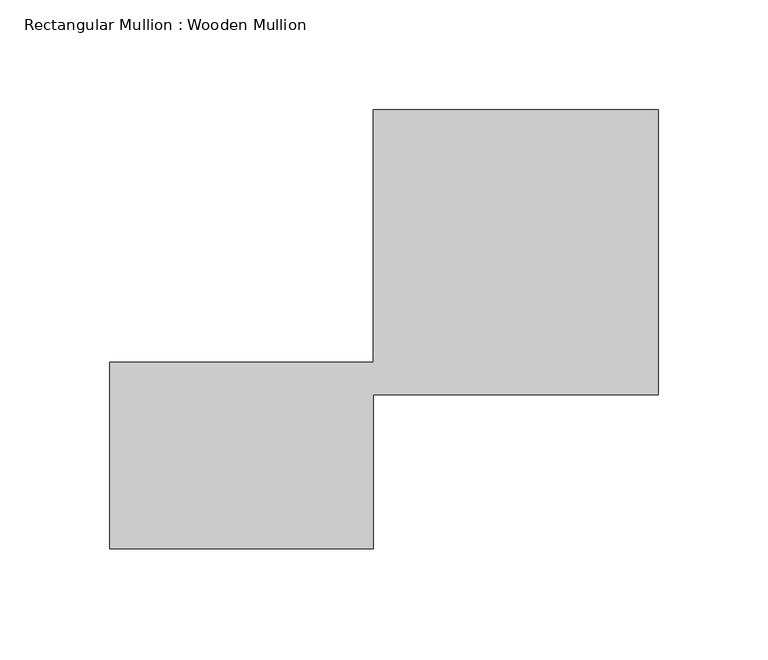
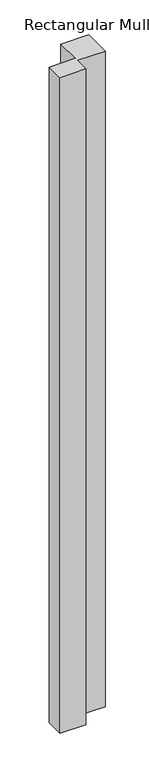
"""IFC4 building model written with IfcOpenShell, lengths in millimetres: member geometry, Rectangular Mullion : Wooden Mullion."""

from ifc_helpers import new_model, si_unit, frame, origin, place, context, project, spatial, polyline, outline, extrude, source, transform, mapped, element, save


def rectangular_mullion_wooden_mullion_83c8b893(model_context):
    return source(origin(), model_context, "Body", "SweptSolid", [
        extrude(outline(polyline([(74.8100006, -26.0137344), (-45.1899994, -26.0137344), (-45.1899994, 58.9862656), (74.8100006, 58.9862656), (74.8100006, 173.9862656), (204.8100006, 173.9862656), (204.8100006, 43.9862656), (74.8100006, 43.9862656), (74.8100006, -26.0137344)])), frame((0.0, 0.0, -3208.9836247), z_axis=(0.0, 0.0, 1.0), x_axis=(1.0, 0.0, 0.0)), (0.0, 0.0, 1.0), 3208.9836247),
    ])


if __name__ == "__main__":
    model = new_model("IFC4")
    model_context = context("Model", 3, world=origin())
    ifc_project = project(units=[si_unit("LENGTHUNIT", "METRE", prefix="MILLI")], contexts=[model_context])
    site = spatial("IfcSite", under=ifc_project)
    building = spatial("IfcBuilding", under=site)
    placement = place(None, origin())
    rectangular_mullion_wooden_mullion_shape = rectangular_mullion_wooden_mullion_83c8b893(model_context)
    element("IfcMember", 1, ObjectType="Rectangular Mullion : Wooden Mullion", at=placement, inside=building, context=model_context, shape_type="MappedRepresentation", body=[
        mapped(rectangular_mullion_wooden_mullion_shape, transform((0.0, 0.0, 0.0), x_axis=(1.0, 0.0, 0.0), y_axis=(0.0, 1.0, 0.0), z_axis=(0.0, 0.0, 1.0))),
    ])
    save(model, "model.ifc")
